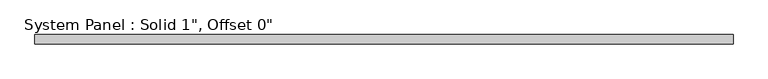
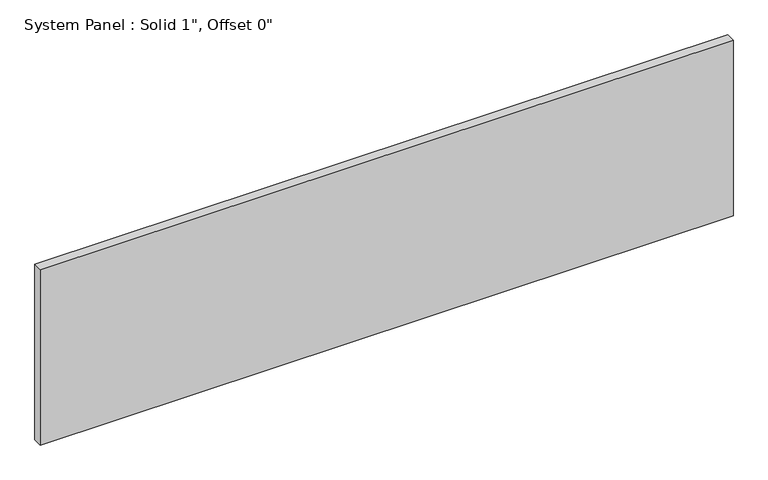
"""IFC4 building model written with IfcOpenShell, lengths in millimetres: plate geometry."""

import ifcopenshell
import ifcopenshell.guid

model = None  # the IFC model being written
_history = None  # IfcOwnerHistory: only IFC2X3 demands one
_inside = {}  # id of a spatial element -> (the spatial element, [elements in it])
_under = {}  # id of a project, library or spatial element -> (it, [spatial elements below it])
_declared = {}  # id of a project -> (the project, [libraries it declares])
_typed = {}  # id of a type object -> (the type object, [elements of that type])
_made_of = {}  # id of a material, layer set ... -> (it, [elements and type objects made of it])


def new_model(schema):
    """Start an empty IFC model of exactly this schema.

    Asked for "IFC4X3", IfcOpenShell would pick the latest addendum, in which some entities
    have other attributes; the version numbers below select the first issue.
    IFC2X3 requires an IfcOwnerHistory on every rooted entity: one is made here for all.
    """
    global model, _history
    if schema == "IFC4X3":
        model = ifcopenshell.file(schema_version=(4, 3, 0, 0))
    else:
        model = ifcopenshell.file(schema=schema)
    _inside.clear()
    _under.clear()
    _declared.clear()
    _typed.clear()
    _made_of.clear()
    _history = None
    if model.schema == "IFC2X3":
        org = make("IfcOrganization", Name="unknown")
        user = make(
            "IfcPersonAndOrganization",
            ThePerson=make("IfcPerson", FamilyName="unknown"),
            TheOrganization=org,
        )
        app = make(
            "IfcApplication",
            ApplicationDeveloper=org,
            Version="unknown",
            ApplicationFullName="unknown",
            ApplicationIdentifier="unknown",
        )
        _history = make(
            "IfcOwnerHistory",
            OwningUser=user,
            OwningApplication=app,
            ChangeAction="ADDED",
            CreationDate=0,
        )
    return model


def make(cls, **values):
    """One entity of the class cls with the attributes given. An attribute that is None is left unset."""
    return model.create_entity(
        cls, **{name: value for name, value in values.items() if value is not None}
    )


def rooted(cls, **values):
    """An entity with a GlobalId (a new one), such as an element, a storey or a relation."""
    return make(cls, GlobalId=ifcopenshell.guid.new(), OwnerHistory=_history, **values)


def si_unit(unit_type, name, prefix=None):
    """IfcSIUnit, for example si_unit("LENGTHUNIT", "METRE", prefix="MILLI")."""
    return make("IfcSIUnit", UnitType=unit_type, Prefix=prefix, Name=name)


def assignment(units):
    """IfcUnitAssignment: the units of a project."""
    return None if units is None else make("IfcUnitAssignment", Units=units)


def point(xyz):
    """IfcCartesianPoint."""
    return None if xyz is None else make("IfcCartesianPoint", Coordinates=xyz)


def direction(xyz):
    """IfcDirection."""
    return None if xyz is None else make("IfcDirection", DirectionRatios=xyz)


def frame(location, z_axis=None, x_axis=None):
    """IfcAxis2Placement3D, a coordinate frame: its origin and axes. An axis left out is left unset."""
    return make(
        "IfcAxis2Placement3D",
        Location=point(location),
        Axis=direction(z_axis),
        RefDirection=direction(x_axis),
    )


def origin():
    """The frame at (0, 0, 0) with its axes left unset."""
    return frame((0.0, 0.0, 0.0))


def origin_with_axes():
    """The frame at (0, 0, 0) with the z axis (0, 0, 1) and the x axis (1, 0, 0) written out."""
    return frame((0.0, 0.0, 0.0), z_axis=(0.0, 0.0, 1.0), x_axis=(1.0, 0.0, 0.0))


def place(relative_to, where):
    """IfcLocalPlacement: puts the frame where relative to a parent placement (None: the world)."""
    return make(
        "IfcLocalPlacement", PlacementRelTo=relative_to, RelativePlacement=where
    )


def context(
    kind, dimensions, precision=None, world=None, true_north=None, identifier=None
):
    """IfcGeometricRepresentationContext, for example the 3D "Model" context."""
    return make(
        "IfcGeometricRepresentationContext",
        ContextIdentifier=identifier,
        ContextType=kind,
        CoordinateSpaceDimension=dimensions,
        Precision=precision,
        WorldCoordinateSystem=world,
        TrueNorth=true_north,
    )


def project(units=None, contexts=None):
    """IfcProject with its units and contexts."""
    return rooted(
        "IfcProject",
        Name="project",
        RepresentationContexts=contexts,
        UnitsInContext=assignment(units),
    )


def spatial(cls, under=None, at=None, **own):
    """A site, building, storey or space (cls), placed at a placement, below another one or the project."""
    s = rooted(cls, ObjectPlacement=at, **own)
    if under is not None:
        _under.setdefault(under.id(), (under, []))[1].append(s)
    return s


def polyline(points):
    """IfcPolyline through the points."""
    return make("IfcPolyline", Points=[point(p) for p in points])


def outline(outer, holes=None, kind="AREA"):
    """IfcArbitraryClosedProfileDef: a profile drawn as a closed curve; with holes, ...WithVoids."""
    if holes is None:
        return make("IfcArbitraryClosedProfileDef", ProfileType=kind, OuterCurve=outer)
    return make(
        "IfcArbitraryProfileDefWithVoids",
        ProfileType=kind,
        OuterCurve=outer,
        InnerCurves=holes,
    )


def extrude(swept, where, along, depth):
    """IfcExtrudedAreaSolid: the profile swept, set in the frame where, extruded along a direction by depth."""
    return make(
        "IfcExtrudedAreaSolid",
        SweptArea=swept,
        Position=where,
        ExtrudedDirection=direction(along),
        Depth=depth,
    )


def shape(context_of_items, identifier, shape_type, items):
    """IfcShapeRepresentation: the items that make up one representation, for example the "Body"."""
    return make(
        "IfcShapeRepresentation",
        ContextOfItems=context_of_items,
        RepresentationIdentifier=identifier,
        RepresentationType=shape_type,
        Items=items,
    )


def source(mapping_origin, context_of_items, identifier, shape_type, items):
    """IfcRepresentationMap: a shape defined once, which mapped items show again and again."""
    return make(
        "IfcRepresentationMap",
        MappingOrigin=mapping_origin,
        MappedRepresentation=shape(context_of_items, identifier, shape_type, items),
    )


def transform(
    local_origin,
    x_axis=None,
    y_axis=None,
    z_axis=None,
    scale=None,
    scale2=None,
    scale3=None,
    uniform=True,
):
    """IfcCartesianTransformationOperator3D, or its non-uniform kind. x_axis, y_axis, z_axis: its Axis1, 2, 3."""
    if uniform:
        return make(
            "IfcCartesianTransformationOperator3D",
            Axis1=direction(x_axis),
            Axis2=direction(y_axis),
            LocalOrigin=point(local_origin),
            Scale=scale,
            Axis3=direction(z_axis),
        )
    return make(
        "IfcCartesianTransformationOperator3DnonUniform",
        Axis1=direction(x_axis),
        Axis2=direction(y_axis),
        LocalOrigin=point(local_origin),
        Scale=scale,
        Axis3=direction(z_axis),
        Scale2=scale2,
        Scale3=scale3,
    )


def mapped(mapping_source, mapping_target):
    """IfcMappedItem: shows the shape of a source again, moved by a transform."""
    return make(
        "IfcMappedItem", MappingSource=mapping_source, MappingTarget=mapping_target
    )


def made_of(thing, what):
    """Note that an element or type object is made of a material, layer set ...; save() writes the relation."""
    if what is not None:
        _made_of.setdefault(what.id(), (what, []))[1].append(thing)
    return thing


def element(
    cls,
    number,
    at=None,
    inside=None,
    cuts=None,
    type_object=None,
    material=None,
    context=None,
    identifier="Body",
    shape_type=None,
    held_by="IfcProductDefinitionShape",
    body=None,
    shapes=None,
    **own,
):
    """One element of the class cls, such as IfcWall. Its Tag is "e" and its number.

    at: its placement. inside: the storey or other place that contains it. cuts: it is an
    opening in that element (IfcRelVoidsElement). A single representation is given by context,
    identifier, shape_type and body (its items); several are given by shapes. held_by: the class
    of the entity that holds the representations. save() writes the other relations.
    """
    e = rooted(cls, Tag="e%d" % number, ObjectPlacement=at, **own)
    if body is not None:
        shapes = [shape(context, identifier, shape_type, body)]
    if shapes is not None:
        e.Representation = make(held_by, Representations=shapes)
    if inside is not None:
        _inside.setdefault(inside.id(), (inside, []))[1].append(e)
    if cuts is not None:
        rooted(
            "IfcRelVoidsElement", RelatingBuildingElement=cuts, RelatedOpeningElement=e
        )
    if type_object is not None:
        _typed.setdefault(type_object.id(), (type_object, []))[1].append(e)
    return made_of(e, material)


def aggregate(whole, parts):
    """IfcRelAggregates: a whole, such as a stair, and the parts it consists of."""
    return rooted("IfcRelAggregates", RelatingObject=whole, RelatedObjects=parts)


def save(model, path):
    """Write the relations noted so far, then the file.

    IfcRelAggregates (storeys below a building ...), IfcRelContainedInSpatialStructure (elements
    in a storey), IfcRelDefinesByType, IfcRelAssociatesMaterial and IfcRelDeclares: one each for
    every whole, place, type object, material and project.
    """
    for whole, parts in _under.values():
        aggregate(whole, parts)
    for where, things in _inside.values():
        rooted(
            "IfcRelContainedInSpatialStructure",
            RelatedElements=things,
            RelatingStructure=where,
        )
    for kind, things in _typed.values():
        rooted("IfcRelDefinesByType", RelatedObjects=things, RelatingType=kind)
    for what, things in _made_of.values():
        rooted("IfcRelAssociatesMaterial", RelatedObjects=things, RelatingMaterial=what)
    for by, libraries in _declared.values():
        rooted("IfcRelDeclares", RelatingContext=by, RelatedDefinitions=libraries)
    model.write(path)


def plate_56801238(model_context):
    return source(origin(), model_context, "Body", "SweptSolid", [
        extrude(outline(polyline([(965.7865333, -12.7), (-965.7865333, -12.7), (-965.7865333, 12.7), (965.7865333, 12.7), (965.7865333, -12.7)])), origin_with_axes(), (0.0, 0.0, 1.0), 516.966805),
    ])


if __name__ == "__main__":
    model = new_model("IFC4")
    model_context = context("Model", 3, world=origin())
    ifc_project = project(units=[si_unit("LENGTHUNIT", "METRE", prefix="MILLI")], contexts=[model_context])
    site = spatial("IfcSite", under=ifc_project)
    building = spatial("IfcBuilding", under=site)
    placement = place(None, origin())
    plate_shape = plate_56801238(model_context)
    element("IfcPlate", 1, ObjectType="System Panel : Solid 1\", Offset 0\"", at=placement, inside=building, context=model_context, shape_type="MappedRepresentation", body=[
        mapped(plate_shape, transform((0.0, 0.0, 0.0), x_axis=(1.0, 0.0, 0.0), y_axis=(0.0, 1.0, 0.0), z_axis=(0.0, 0.0, 1.0))),
    ])
    save(model, "model.ifc")
